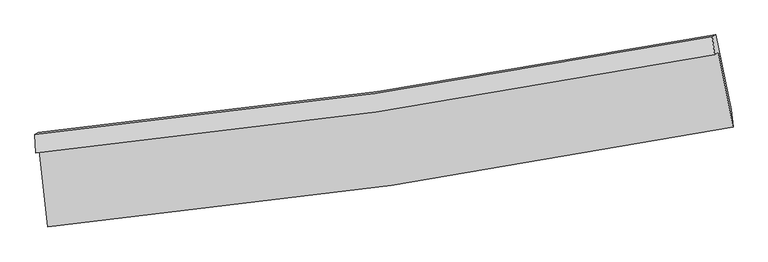
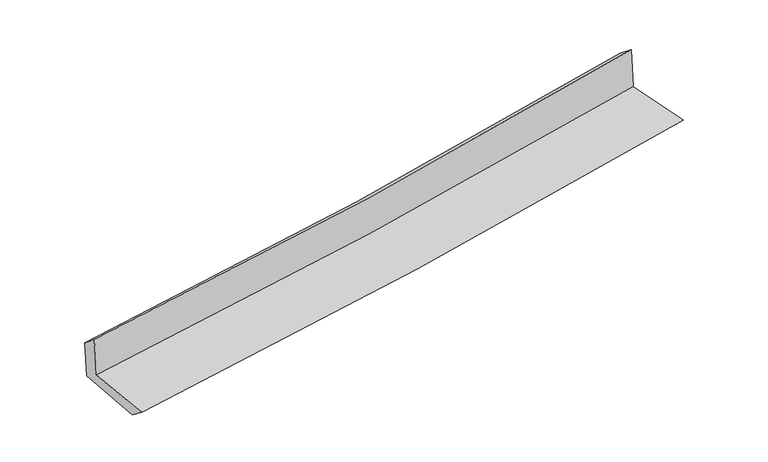
"""IFC4 building model written with IfcOpenShell, lengths in millimetres: proxy geometry."""

from ifc_helpers import new_model, si_unit, frame, origin, place, context, project, spatial, source, transform, mapped, element, save
from ifc_brep_helpers import plane_surface, spline_curve, spline_surface, advanced_brep


def generic_models_8a0cb909(model_context):
    return source(origin(), model_context, "Body", "AdvancedBrep", [
        advanced_brep(
        [(-2948.7560227, -1905.1934638, 1647.5529541), (-2877.1118835, -2562.220287, 1624.6158002), (3024.9648582, -1699.7807776, 2124.5878049), (2898.2079712, -1055.7839497, 2133.134944), (-2980.9363087, -1924.3183339, 2047.4126044), (2865.351284, -1075.3981944, 2543.2645408), (-2986.6550547, -1764.296006, 1915.8821543), (2846.29792, -922.7720316, 2422.4794043), (-2956.728861, -1748.1209293, 1546.0270747), (2876.7127664, -906.3328387, 2046.5851111), (-2883.2165964, -2413.1743266, 1511.2040215), (3007.0457065, -1552.26797, 2002.3068446)],
        [
            (0, 1),
            (1, 2, spline_curve(3, [(-2877.1118835, -2562.220287, 1624.6158002), (-1888.094783942, -2468.13129016, 1717.860358958), (-902.300096801, -2349.326294895, 1806.105437726), (1065.073453744, -2061.958723846, 1972.785481296), (2046.637681035, -1893.283882857, 2051.197737402), (3024.9648582, -1699.7807776, 2124.5878049)], [4, 2, 4], [0.0, 9.764457327740004, 19.551065699978974])),
            (2, 3),
            (3, 0, spline_curve(3, [(2898.2079712, -1055.7839497, 2133.134944), (1928.889644655, -1244.954238314, 2059.050654303), (956.42788125, -1410.37683054, 1981.493567005), (-992.57433054, -1693.405955592, 1819.617200727), (-1969.100565034, -1811.119868113, 1735.313624698), (-2948.7560227, -1905.1934638, 1647.5529541)], [4, 2, 4], [0.0, 9.78660837223897, 19.551065699978974])),
            (4, 0),
            (3, 5),
            (5, 4, spline_curve(3, [(2865.351284, -1075.3981944, 2543.2645408), (1896.671215212, -1264.167303761, 2460.903175335), (924.584714007, -1429.348660331, 2378.35446955), (-1024.1932198, -1712.215383599, 2213.069643713), (-2000.869249303, -1830.007407132, 2130.334370345), (-2980.9363087, -1924.3183339, 2047.4126044)], [4, 2, 4], [0.0, 9.739317480355624, 19.456590954586627])),
            (6, 4),
            (5, 7),
            (7, 6, spline_curve(3, [(2846.29792, -922.7720316, 2422.4794043), (1879.438582165, -1108.621019129, 2339.048273796), (909.375152321, -1271.72622411, 2255.067819199), (-1034.95699412, -1552.131375541, 2086.199585008), (-2009.211222199, -1669.534161791, 2001.314290042), (-2986.6550547, -1764.296006, 1915.8821543)], [4, 2, 4], [0.0, 9.728337968434479, 19.434656781811007])),
            (8, 6),
            (7, 9),
            (9, 8, spline_curve(3, [(2876.7127664, -906.3328387, 2046.5851111), (1910.204029902, -1091.992326538, 1958.820930772), (940.274888656, -1255.024948602, 1873.180814525), (-1004.221120002, -1535.518667504, 1706.337740008), (-1978.772521185, -1653.08207541, 1625.125177627), (-2956.728861, -1748.1209293, 1546.0270747)], [4, 2, 4], [0.0, 9.717305678067426, 19.4126171716025])),
            (10, 8),
            (9, 11),
            (11, 10, spline_curve(3, [(3007.0457065, -1552.26797, 2002.3068446), (2031.428342803, -1745.012786182, 1920.94303587), (1052.204256107, -1913.180859665, 1839.289200391), (-911.232819927, -2200.038516801, 1675.586947841), (-1895.429501064, -2318.839228856, 1593.539842308), (-2883.2165964, -2413.1743266, 1511.2040215)], [4, 2, 4], [0.0, 9.76515666317685, 19.508210835729983])),
            (1, 10),
            (11, 2),
        ],
        [
            spline_surface(3, 3, [[(-2948.7560227, -1905.1934638, 1647.5529541), (-1969.100565049, -1811.119867974, 1735.313624708), (-992.574330434, -1693.405955626, 1819.617200758), (956.427881143, -1410.376830505, 1981.493566974), (1928.88964453, -1244.954238158, 2059.050654178), (2898.2079712, -1055.7839497, 2133.134944)], [(-2924.874642973, -2124.202404889, 1639.907236151), (-1942.098637968, -2030.123675406, 1729.495869443), (-962.482919275, -1912.046068697, 1815.113279746), (992.643072045, -1627.570794977, 1978.59087177), (1968.138990001, -1461.064119731, 2056.433015242), (2940.460266867, -1270.449559006, 2130.285897615)], [(-2900.993263227, -2343.211345911, 1632.261518149), (-1915.096710866, -2249.127482773, 1723.678114125), (-932.39150809, -2130.686181759, 1810.609358703), (1028.858262973, -1844.764759441, 1975.688176534), (2007.388335471, -1677.174001287, 2053.81537636), (2982.712562533, -1485.115168294, 2127.436851285)], [(-2877.1118835, -2562.220287, 1624.6158002), (-1888.094783785, -2468.131290205, 1717.860358861), (-902.300096932, -2349.326294829, 1806.105437692), (1065.073453875, -2061.958723913, 1972.78548133), (2046.637680942, -1893.28388286, 2051.197737424), (3024.9648582, -1699.7807776, 2124.5878049)]], [4, 4], [4, 2, 4], [0.0, 2.1698330474958976], [0.0, 9.764457327740004, 19.551065699978974]),
            spline_surface(3, 3, [[(-2980.9363087, -1924.3183339, 2047.4126044), (-2000.86924929, -1830.007407082, 2130.334370494), (-1024.193219747, -1712.215383694, 2213.069643689), (924.584713953, -1429.348660236, 2378.354469573), (1896.671215334, -1264.167303779, 2460.903175194), (2865.351284, -1075.3981944, 2543.2645408)], [(-2970.209546696, -1917.943377191, 1914.1260543), (-1990.279687872, -1823.711560704, 1998.660788566), (-1013.653589974, -1705.945574343, 2081.918829351), (935.199103018, -1423.024716997, 2246.067502013), (1907.410691732, -1257.762948555, 2326.952334886), (2876.303513066, -1068.860112817, 2406.554675231)], [(-2959.482784704, -1911.568420509, 1780.8395042), (-1979.690126467, -1817.415714352, 1866.987206637), (-1003.113960206, -1699.675764978, 1950.768015095), (945.813492078, -1416.700773744, 2113.780534535), (1918.150168132, -1251.358593382, 2193.001494486), (2887.255742134, -1062.322031283, 2269.844809569)], [(-2948.7560227, -1905.1934638, 1647.5529541), (-1969.100565049, -1811.119867974, 1735.313624708), (-992.574330434, -1693.405955626, 1819.617200758), (956.427881143, -1410.376830505, 1981.493566974), (1928.88964453, -1244.954238158, 2059.050654178), (2898.2079712, -1055.7839497, 2133.134944)]], [4, 4], [4, 2, 4], [0.0, 1.302107428914181], [0.0, 9.717273474231003, 19.456590954586627]),
            spline_surface(3, 3, [[(-2986.6550547, -1764.296006, 1915.8821543), (-2009.21122234, -1669.534161782, 2001.314290087), (-1034.956993968, -1552.131375458, 2086.199585153), (909.375152168, -1271.726224194, 2255.067819053), (1879.438582006, -1108.621019047, 2339.048273931), (2846.29792, -922.7720316, 2422.4794043)], [(-2984.748806031, -1817.63678196, 1959.725637675), (-2006.430564654, -1723.025243542, 2044.320983564), (-1031.369069227, -1605.492711511, 2128.489604675), (914.445006097, -1324.267036182, 2296.163369237), (1885.182793095, -1160.46978062, 2379.666574323), (2852.649041312, -973.647419196, 2462.741116438)], [(-2982.842557369, -1870.97755794, 2003.569121025), (-2003.649906976, -1776.516325322, 2087.327677017), (-1027.781144488, -1658.854047641, 2170.779624167), (919.514860025, -1376.807848247, 2337.25891939), (1890.927004246, -1212.318542206, 2420.284874801), (2859.000162688, -1024.522806804, 2503.002828662)], [(-2980.9363087, -1924.3183339, 2047.4126044), (-2000.86924929, -1830.007407082, 2130.334370494), (-1024.193219747, -1712.215383694, 2213.069643689), (924.584713953, -1429.348660236, 2378.354469573), (1896.671215334, -1264.167303779, 2460.903175194), (2865.351284, -1075.3981944, 2543.2645408)]], [4, 4], [4, 2, 4], [0.0, 0.6646905757752042], [0.0, 9.706318813376528, 19.434656781811007]),
            spline_surface(3, 3, [[(-2956.728861, -1748.1209293, 1546.0270747), (-1978.772521161, -1653.082075321, 1625.12517762), (-1004.221119905, -1535.518667394, 1706.337740053), (940.274888559, -1255.024948712, 1873.18081448), (1910.204029753, -1091.992326483, 1958.820930902), (2876.7127664, -906.3328387, 2046.5851111)], [(-2966.704258896, -1753.512621526, 1669.312101201), (-1988.918754883, -1658.566104134, 1750.521548411), (-1014.466411264, -1541.056236757, 1832.958355071), (929.974976424, -1260.592040547, 2000.476482656), (1899.948880511, -1097.535224021, 2085.563378603), (2866.574484273, -911.812569684, 2171.883208858)], [(-2976.679656804, -1758.904313774, 1792.597127799), (-1999.064988618, -1664.05013297, 1875.917919297), (-1024.711702609, -1546.593806095, 1959.578970135), (919.675064303, -1266.159132359, 2127.772150877), (1889.693731249, -1103.078121508, 2212.30582623), (2856.436202127, -917.292300616, 2297.181306542)], [(-2986.6550547, -1764.296006, 1915.8821543), (-2009.21122234, -1669.534161782, 2001.314290087), (-1034.956993968, -1552.131375458, 2086.199585153), (909.375152168, -1271.726224194, 2255.067819053), (1879.438582006, -1108.621019047, 2339.048273931), (2846.29792, -922.7720316, 2422.4794043)]], [4, 4], [4, 2, 4], [0.0, 1.2548699004313373], [0.0, 9.695311493535073, 19.4126171716025]),
            spline_surface(3, 3, [[(-2883.2165964, -2413.1743266, 1511.2040215), (-1895.42950097, -2318.839228817, 1593.539842328), (-911.232819971, -2200.038516875, 1675.586947906), (1052.204256151, -1913.18085959, 1839.289200326), (2031.428342731, -1745.012786037, 1920.943035826), (3007.0457065, -1552.26797, 2002.3068446)], [(-2907.720684595, -2191.489860833, 1522.811705907), (-1923.210507696, -2096.920177651, 1604.068287432), (-942.228919939, -1978.531900374, 1685.837211984), (1014.894466964, -1693.795555957, 1850.586405073), (1991.020238392, -1527.339299515, 1933.569000853), (2963.60139312, -1336.956259563, 2017.066266768)], [(-2932.224772805, -1969.805395067, 1534.419390293), (-1950.991514435, -1875.001126487, 1614.596732516), (-973.225019938, -1757.025283896, 1696.087475975), (977.584677746, -1474.410252346, 1861.883609733), (1950.612134092, -1309.665813004, 1946.194965876), (2920.15707978, -1121.644549137, 2031.825688932)], [(-2956.728861, -1748.1209293, 1546.0270747), (-1978.772521161, -1653.082075321, 1625.12517762), (-1004.221119905, -1535.518667394, 1706.337740053), (940.274888559, -1255.024948712, 1873.18081448), (1910.204029753, -1091.992326483, 1958.820930902), (2876.7127664, -906.3328387, 2046.5851111)]], [4, 4], [4, 2, 4], [0.0, 2.198175819647772], [0.0, 9.743054172553133, 19.508210835729983]),
            spline_surface(3, 3, [[(-2877.1118835, -2562.220287, 1624.6158002), (-1888.094783785, -2468.131290205, 1717.860358861), (-902.300096932, -2349.326294829, 1806.105437692), (1065.073453875, -2061.958723913, 1972.78548133), (2046.637680942, -1893.28388286, 2051.197737424), (3024.9648582, -1699.7807776, 2124.5878049)], [(-2879.146787809, -2512.538300202, 1586.811873966), (-1890.539689522, -2418.367269744, 1676.420186683), (-905.277671277, -2299.563702195, 1762.599274423), (1060.783721301, -2012.366102489, 1928.286720988), (2041.567901567, -1843.860183921, 2007.779503548), (3018.991807661, -1650.609841735, 2083.82748479)], [(-2881.181692091, -2462.856313398, 1549.007947734), (-1892.984595233, -2368.603249278, 1634.980014506), (-908.255245626, -2249.801109509, 1719.093111175), (1056.493988724, -1962.773481014, 1883.787960668), (2036.498122107, -1794.436484976, 1964.361269702), (3013.018757039, -1601.438905865, 2043.06716471)], [(-2883.2165964, -2413.1743266, 1511.2040215), (-1895.42950097, -2318.839228817, 1593.539842328), (-911.232819971, -2200.038516875, 1675.586947906), (1052.204256151, -1913.18085959, 1839.289200326), (2031.428342731, -1745.012786037, 1920.943035826), (3007.0457065, -1552.26797, 2002.3068446)]], [4, 4], [4, 2, 4], [0.0, 0.6541666760681943], [0.0, 9.801217949816852, 19.62467033700829]),
            plane_surface(frame((2919.7634177, -1202.0559603, 2212.0597749), z_axis=(0.9776333391805643, 0.19126515866756294, 0.08746824110802585), x_axis=(-0.08057320622475399, -0.04354973447154901, 0.9957968563246827))),
            plane_surface(frame((-2938.9007878, -2052.8872244, 1715.4491015), z_axis=(-0.9908438070347158, -0.10508522358959757, -0.0847681888686755), x_axis=(-0.10833516741361314, 0.9935091929169378, 0.0346839313083065))),
        ],
        [
            (0, [[1, 2, 3, 4]]),
            (1, [[5, -4, 6, 7]]),
            (2, [[8, -7, 9, 10]]),
            (3, [[11, -10, 12, 13]]),
            (4, [[14, -13, 15, 16]]),
            (5, [[17, -16, 18, -2]]),
            (6, [[-12, -9, -6, -3, -18, -15]]),
            (7, [[-1, -5, -8, -11, -14, -17]]),
        ],
    ),
    ])


if __name__ == "__main__":
    model = new_model("IFC4")
    model_context = context("Model", 3, world=origin())
    ifc_project = project(units=[si_unit("LENGTHUNIT", "METRE", prefix="MILLI")], contexts=[model_context])
    site = spatial("IfcSite", under=ifc_project)
    building = spatial("IfcBuilding", under=site)
    placement = place(None, origin())
    generic_models_shape = generic_models_8a0cb909(model_context)
    element("IfcBuildingElementProxy", 1, Name="Generic Models", at=placement, inside=building, context=model_context, shape_type="MappedRepresentation", body=[
        mapped(generic_models_shape, transform((0.0, 0.0, 0.0), x_axis=(1.0, 0.0, 0.0), y_axis=(0.0, 1.0, 0.0), z_axis=(0.0, 0.0, 1.0))),
    ])
    save(model, "model.ifc")
